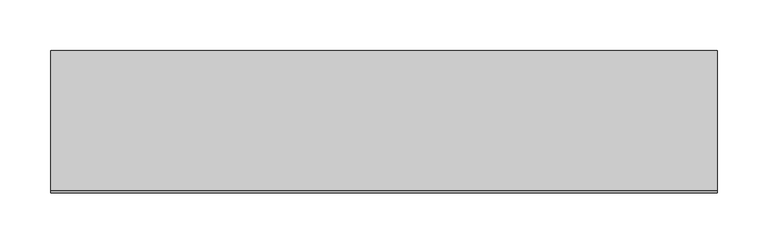
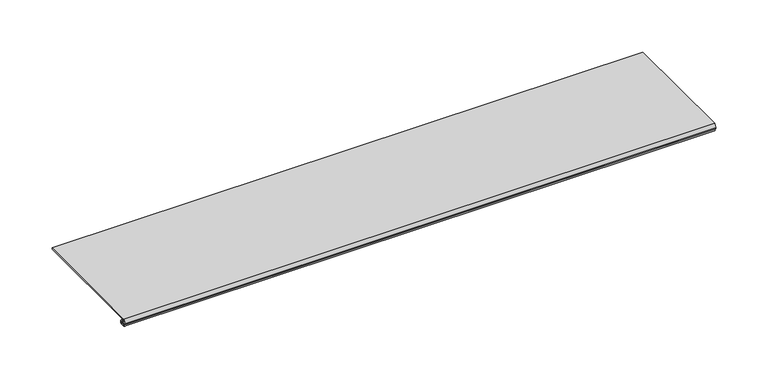
"""IFC4 building model written with IfcOpenShell, lengths in millimetres: proxy geometry."""

from ifc_helpers import new_model, si_unit, point, frame, frame_2d, origin, place, context, project, spatial, polyline, circle_curve, trimmed, segment, composite_curve, outline, extrude, source, transform, mapped, element, save


def generic_models_829b709f(model_context):
    return source(origin(), model_context, "Body", "SweptSolid", [
        extrude(outline(composite_curve([segment(polyline([(139.7, 13.2537076), (139.7, 11.6837076), (4.9698231, 11.6837076)]), True, "CONTINUOUS"), segment(trimmed(circle_curve(frame_2d((4.9836004, 10.5900854)), 1.093709), [point((4.9698231, 11.6837076))], [point((4.9454257, 9.4970429))], True, "CARTESIAN"), True, "CONTINUOUS"), segment(polyline([(4.9454257, 9.4970429), (6.3252986, 9.4327708)]), True, "CONTINUOUS"), segment(trimmed(circle_curve(frame_2d((6.2190404, 7.151486)), 2.2837581), [point((6.3252986, 9.4327708))], [point((6.2190404, 4.8677279))], False, "CARTESIAN"), True, "CONTINUOUS"), segment(polyline([(6.2190404, 4.8677279), (2.2867276, 4.8677279)]), True, "CONTINUOUS"), segment(trimmed(circle_curve(frame_2d((2.2867276, 5.5318063)), 0.6640784), [point((2.2867276, 4.8677279))], [point((2.2368711, 6.1940104))], False, "CARTESIAN"), True, "CONTINUOUS"), segment(polyline([(2.2368711, 6.1940104), (4.5055344, 6.3177279), (6.0740222, 6.3177279)]), True, "CONTINUOUS"), segment(trimmed(circle_curve(frame_2d((6.0740222, 7.2927279)), 0.975), [point((6.0740222, 6.3177279))], [point((6.0740222, 8.2677279))], True, "CARTESIAN"), True, "CONTINUOUS"), segment(polyline([(6.0740222, 8.2677279), (4.8748016, 8.2677279), (3.9297655, 8.3107178)]), True, "CONTINUOUS"), segment(trimmed(circle_curve(frame_2d((2.4847467, 6.6596487)), 2.1941076), [point((3.9297655, 8.3107178))], [point((1.0903749, 8.3537076))], True, "CARTESIAN"), True, "CONTINUOUS"), segment(polyline([(1.0903749, 8.3537076), (0.065443, 8.3537076), (0.065443, 9.2261945), (2.1184419, 13.2537076), (139.7, 13.2537076)]), True, "CONTINUOUS")], self_intersect=False)), frame((0.0, 0.0, 0.0), z_axis=(1.0, 0.0, 0.0), x_axis=(0.0, 1.0, 0.0)), (0.0, 0.0, 1.0), 653.773),
    ])


if __name__ == "__main__":
    model = new_model("IFC4")
    model_context = context("Model", 3, world=origin())
    ifc_project = project(units=[si_unit("LENGTHUNIT", "METRE", prefix="MILLI")], contexts=[model_context])
    site = spatial("IfcSite", under=ifc_project)
    building = spatial("IfcBuilding", under=site)
    placement = place(None, origin())
    generic_models_shape = generic_models_829b709f(model_context)
    element("IfcBuildingElementProxy", 1, Name="Generic Models", at=placement, inside=building, context=model_context, shape_type="MappedRepresentation", body=[
        mapped(generic_models_shape, transform((0.0, 0.0, 0.0), x_axis=(1.0, 0.0, 0.0), y_axis=(0.0, 1.0, 0.0), z_axis=(0.0, 0.0, 1.0))),
    ])
    save(model, "model.ifc")
